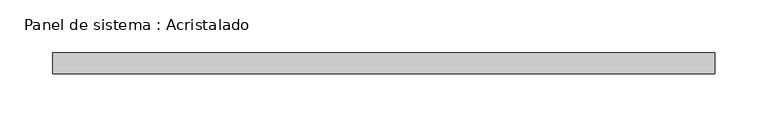
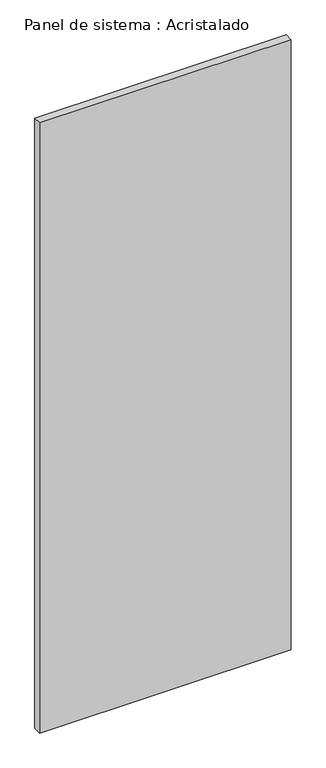
"""IFC4 building model written with IfcOpenShell, lengths in millimetres: plate geometry, Panel de sistema : Acristalado."""

from ifc_helpers import new_model, si_unit, origin, origin_with_axes, place, context, project, spatial, polyline, outline, extrude, source, transform, mapped, element, save


def panel_de_sistema_acristalado_7884af2b(model_context):
    return source(origin(), model_context, "Body", "SweptSolid", [
        extrude(outline(polyline([(314.5, -10.0), (-314.5, -10.0), (-314.5, 10.0), (314.5, 10.0), (314.5, -10.0)])), origin_with_axes(), (0.0, 0.0, 1.0), 1610.8718726),
    ])


if __name__ == "__main__":
    model = new_model("IFC4")
    model_context = context("Model", 3, world=origin())
    ifc_project = project(units=[si_unit("LENGTHUNIT", "METRE", prefix="MILLI")], contexts=[model_context])
    site = spatial("IfcSite", under=ifc_project)
    building = spatial("IfcBuilding", under=site)
    placement = place(None, origin())
    panel_de_sistema_acristalado_shape = panel_de_sistema_acristalado_7884af2b(model_context)
    element("IfcPlate", 1, ObjectType="Panel de sistema : Acristalado", at=placement, inside=building, context=model_context, shape_type="MappedRepresentation", body=[
        mapped(panel_de_sistema_acristalado_shape, transform((0.0, 0.0, 0.0), x_axis=(1.0, 0.0, 0.0), y_axis=(0.0, 1.0, 0.0), z_axis=(0.0, 0.0, 1.0))),
    ])
    save(model, "model.ifc")
